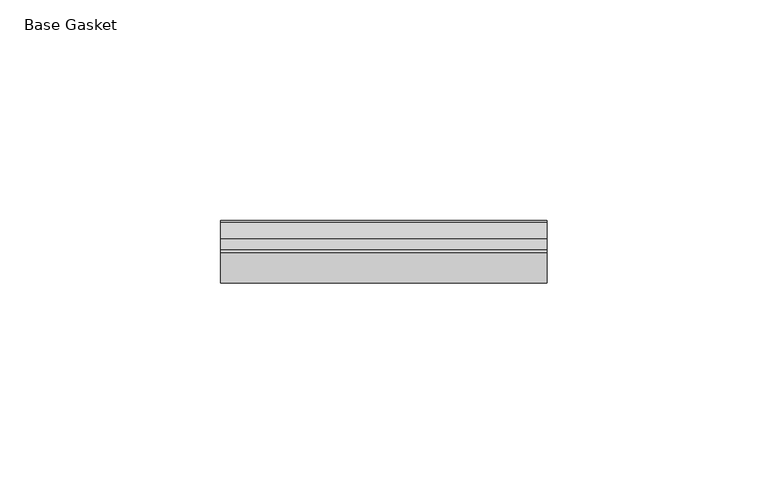
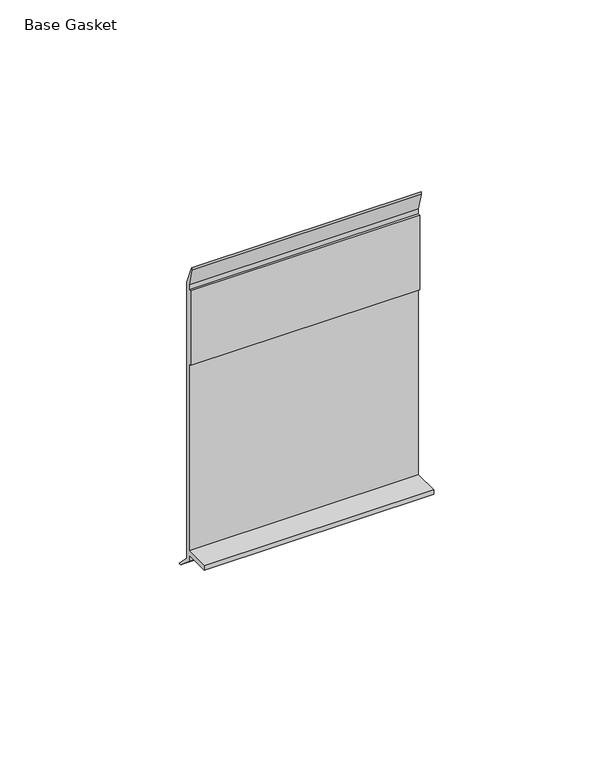
"""IFC4 building model written with IfcOpenShell, lengths in millimetres: furniture geometry, Base Gasket."""

from ifc_helpers import new_model, si_unit, frame, origin, place, context, project, spatial, polyline, outline, extrude, source, transform, mapped, element, save


def base_gasket_cd6f9b5f(model_context):
    return source(origin(), model_context, "Body", "SweptSolid", [
        extrude(outline(polyline([(3.7283812, 98.4568417), (3.7283812, 4.3498477), (7.4222115, 0.6560174), (7.8482342, 0.0), (6.8281054, 0.3520979), (2.2043812, 4.3498477), (2.1334222, 6.3818476), (-6.2405171, 6.3818476), (-6.2405171, 7.9398773), (2.2043812, 7.9398773), (2.2043812, 71.4693447), (1.4106313, 71.4693447), (1.4106313, 96.8693477), (2.2043812, 96.8693477), (2.2043812, 98.4568417), (0.6755308, 104.4162708), (0.6755308, 105.2002997), (1.1891543, 104.587663), (3.7283812, 98.4568417)])), frame((-1527.8982117, 0.0, 0.0), z_axis=(1.0, 0.0, 0.0), x_axis=(0.0, 1.0, 0.0)), (0.0, 0.0, 1.0), 73.8632),
    ])


if __name__ == "__main__":
    model = new_model("IFC4")
    model_context = context("Model", 3, world=origin())
    ifc_project = project(units=[si_unit("LENGTHUNIT", "METRE", prefix="MILLI")], contexts=[model_context])
    site = spatial("IfcSite", under=ifc_project)
    building = spatial("IfcBuilding", under=site)
    placement = place(None, origin())
    base_gasket_shape = base_gasket_cd6f9b5f(model_context)
    element("IfcFurniture", 1, ObjectType="Base Gasket", at=placement, inside=building, context=model_context, shape_type="MappedRepresentation", body=[
        mapped(base_gasket_shape, transform((0.0, 0.0, 0.0), x_axis=(1.0, 0.0, 0.0), y_axis=(0.0, 1.0, 0.0), z_axis=(0.0, 0.0, 1.0))),
    ])
    save(model, "model.ifc")
